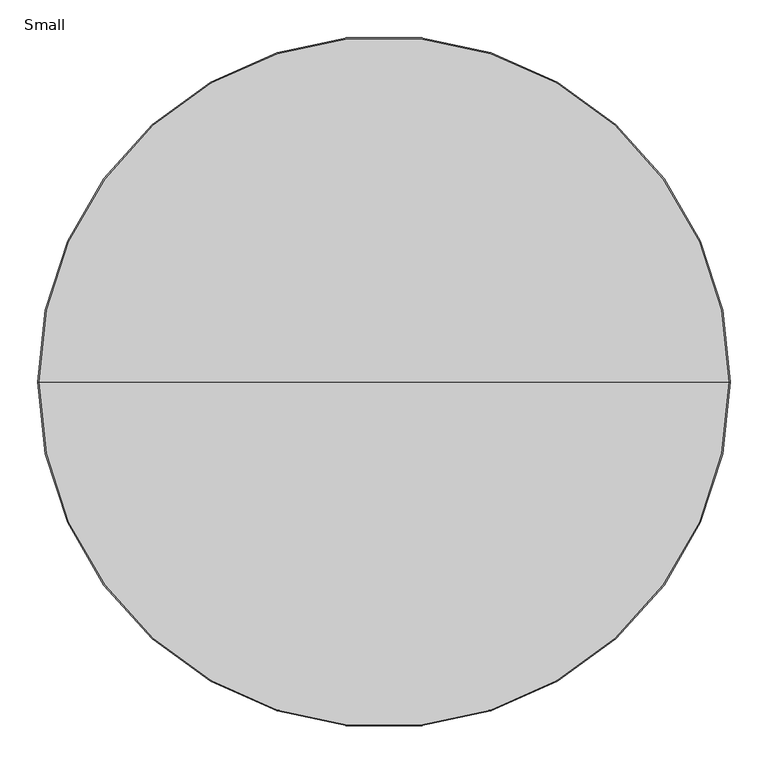
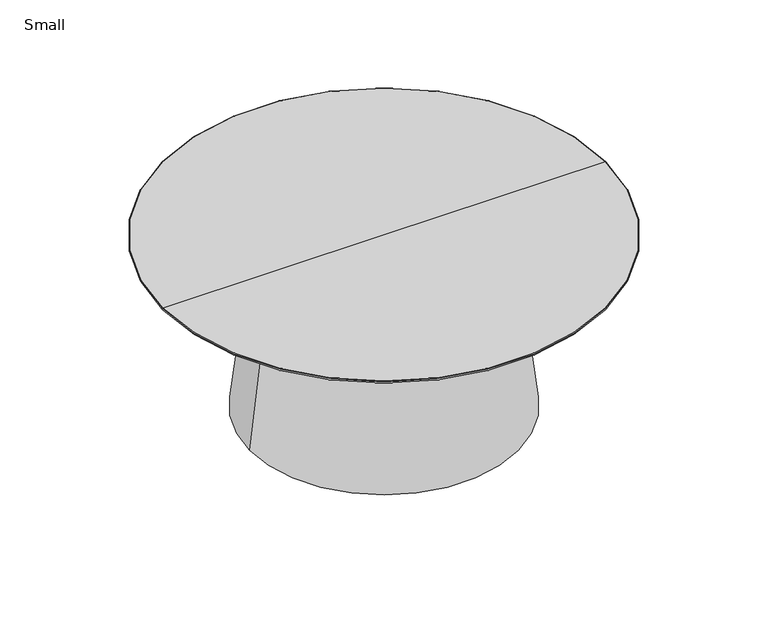
"""IFC4 building model written with IfcOpenShell, lengths in millimetres: furniture geometry, Small."""

import ifcopenshell
import ifcopenshell.guid

model = None  # the IFC model being written
_history = None  # IfcOwnerHistory: only IFC2X3 demands one
_inside = {}  # id of a spatial element -> (the spatial element, [elements in it])
_under = {}  # id of a project, library or spatial element -> (it, [spatial elements below it])
_declared = {}  # id of a project -> (the project, [libraries it declares])
_typed = {}  # id of a type object -> (the type object, [elements of that type])
_made_of = {}  # id of a material, layer set ... -> (it, [elements and type objects made of it])


def new_model(schema):
    """Start an empty IFC model of exactly this schema.

    Asked for "IFC4X3", IfcOpenShell would pick the latest addendum, in which some entities
    have other attributes; the version numbers below select the first issue.
    IFC2X3 requires an IfcOwnerHistory on every rooted entity: one is made here for all.
    """
    global model, _history
    if schema == "IFC4X3":
        model = ifcopenshell.file(schema_version=(4, 3, 0, 0))
    else:
        model = ifcopenshell.file(schema=schema)
    _inside.clear()
    _under.clear()
    _declared.clear()
    _typed.clear()
    _made_of.clear()
    _history = None
    if model.schema == "IFC2X3":
        org = make("IfcOrganization", Name="unknown")
        user = make(
            "IfcPersonAndOrganization",
            ThePerson=make("IfcPerson", FamilyName="unknown"),
            TheOrganization=org,
        )
        app = make(
            "IfcApplication",
            ApplicationDeveloper=org,
            Version="unknown",
            ApplicationFullName="unknown",
            ApplicationIdentifier="unknown",
        )
        _history = make(
            "IfcOwnerHistory",
            OwningUser=user,
            OwningApplication=app,
            ChangeAction="ADDED",
            CreationDate=0,
        )
    return model


def make(cls, **values):
    """One entity of the class cls with the attributes given. An attribute that is None is left unset."""
    return model.create_entity(
        cls, **{name: value for name, value in values.items() if value is not None}
    )


def rooted(cls, **values):
    """An entity with a GlobalId (a new one), such as an element, a storey or a relation."""
    return make(cls, GlobalId=ifcopenshell.guid.new(), OwnerHistory=_history, **values)


def si_unit(unit_type, name, prefix=None):
    """IfcSIUnit, for example si_unit("LENGTHUNIT", "METRE", prefix="MILLI")."""
    return make("IfcSIUnit", UnitType=unit_type, Prefix=prefix, Name=name)


def assignment(units):
    """IfcUnitAssignment: the units of a project."""
    return None if units is None else make("IfcUnitAssignment", Units=units)


def point(xyz):
    """IfcCartesianPoint."""
    return None if xyz is None else make("IfcCartesianPoint", Coordinates=xyz)


def direction(xyz):
    """IfcDirection."""
    return None if xyz is None else make("IfcDirection", DirectionRatios=xyz)


def frame(location, z_axis=None, x_axis=None):
    """IfcAxis2Placement3D, a coordinate frame: its origin and axes. An axis left out is left unset."""
    return make(
        "IfcAxis2Placement3D",
        Location=point(location),
        Axis=direction(z_axis),
        RefDirection=direction(x_axis),
    )


def origin():
    """The frame at (0, 0, 0) with its axes left unset."""
    return frame((0.0, 0.0, 0.0))


def place(relative_to, where):
    """IfcLocalPlacement: puts the frame where relative to a parent placement (None: the world)."""
    return make(
        "IfcLocalPlacement", PlacementRelTo=relative_to, RelativePlacement=where
    )


def context(
    kind, dimensions, precision=None, world=None, true_north=None, identifier=None
):
    """IfcGeometricRepresentationContext, for example the 3D "Model" context."""
    return make(
        "IfcGeometricRepresentationContext",
        ContextIdentifier=identifier,
        ContextType=kind,
        CoordinateSpaceDimension=dimensions,
        Precision=precision,
        WorldCoordinateSystem=world,
        TrueNorth=true_north,
    )


def project(units=None, contexts=None):
    """IfcProject with its units and contexts."""
    return rooted(
        "IfcProject",
        Name="project",
        RepresentationContexts=contexts,
        UnitsInContext=assignment(units),
    )


def spatial(cls, under=None, at=None, **own):
    """A site, building, storey or space (cls), placed at a placement, below another one or the project."""
    s = rooted(cls, ObjectPlacement=at, **own)
    if under is not None:
        _under.setdefault(under.id(), (under, []))[1].append(s)
    return s


def polyline(points):
    """IfcPolyline through the points."""
    return make("IfcPolyline", Points=[point(p) for p in points])


def circle_curve(where, radius):
    """IfcCircle in the frame where."""
    return make("IfcCircle", Position=where, Radius=radius)


def ellipse_curve(where, semi_axis1, semi_axis2):
    """IfcEllipse in the frame where."""
    return make(
        "IfcEllipse", Position=where, SemiAxis1=semi_axis1, SemiAxis2=semi_axis2
    )


def trimmed(basis, trim1, trim2, sense, master):
    """IfcTrimmedCurve: the piece of a basis curve between two trims."""
    return make(
        "IfcTrimmedCurve",
        BasisCurve=basis,
        Trim1=trim1,
        Trim2=trim2,
        SenseAgreement=sense,
        MasterRepresentation=master,
    )


def shape(context_of_items, identifier, shape_type, items):
    """IfcShapeRepresentation: the items that make up one representation, for example the "Body"."""
    return make(
        "IfcShapeRepresentation",
        ContextOfItems=context_of_items,
        RepresentationIdentifier=identifier,
        RepresentationType=shape_type,
        Items=items,
    )


def source(mapping_origin, context_of_items, identifier, shape_type, items):
    """IfcRepresentationMap: a shape defined once, which mapped items show again and again."""
    return make(
        "IfcRepresentationMap",
        MappingOrigin=mapping_origin,
        MappedRepresentation=shape(context_of_items, identifier, shape_type, items),
    )


def transform(
    local_origin,
    x_axis=None,
    y_axis=None,
    z_axis=None,
    scale=None,
    scale2=None,
    scale3=None,
    uniform=True,
):
    """IfcCartesianTransformationOperator3D, or its non-uniform kind. x_axis, y_axis, z_axis: its Axis1, 2, 3."""
    if uniform:
        return make(
            "IfcCartesianTransformationOperator3D",
            Axis1=direction(x_axis),
            Axis2=direction(y_axis),
            LocalOrigin=point(local_origin),
            Scale=scale,
            Axis3=direction(z_axis),
        )
    return make(
        "IfcCartesianTransformationOperator3DnonUniform",
        Axis1=direction(x_axis),
        Axis2=direction(y_axis),
        LocalOrigin=point(local_origin),
        Scale=scale,
        Axis3=direction(z_axis),
        Scale2=scale2,
        Scale3=scale3,
    )


def mapped(mapping_source, mapping_target):
    """IfcMappedItem: shows the shape of a source again, moved by a transform."""
    return make(
        "IfcMappedItem", MappingSource=mapping_source, MappingTarget=mapping_target
    )


def made_of(thing, what):
    """Note that an element or type object is made of a material, layer set ...; save() writes the relation."""
    if what is not None:
        _made_of.setdefault(what.id(), (what, []))[1].append(thing)
    return thing


def element(
    cls,
    number,
    at=None,
    inside=None,
    cuts=None,
    type_object=None,
    material=None,
    context=None,
    identifier="Body",
    shape_type=None,
    held_by="IfcProductDefinitionShape",
    body=None,
    shapes=None,
    **own,
):
    """One element of the class cls, such as IfcWall. Its Tag is "e" and its number.

    at: its placement. inside: the storey or other place that contains it. cuts: it is an
    opening in that element (IfcRelVoidsElement). A single representation is given by context,
    identifier, shape_type and body (its items); several are given by shapes. held_by: the class
    of the entity that holds the representations. save() writes the other relations.
    """
    e = rooted(cls, Tag="e%d" % number, ObjectPlacement=at, **own)
    if body is not None:
        shapes = [shape(context, identifier, shape_type, body)]
    if shapes is not None:
        e.Representation = make(held_by, Representations=shapes)
    if inside is not None:
        _inside.setdefault(inside.id(), (inside, []))[1].append(e)
    if cuts is not None:
        rooted(
            "IfcRelVoidsElement", RelatingBuildingElement=cuts, RelatedOpeningElement=e
        )
    if type_object is not None:
        _typed.setdefault(type_object.id(), (type_object, []))[1].append(e)
    return made_of(e, material)


def aggregate(whole, parts):
    """IfcRelAggregates: a whole, such as a stair, and the parts it consists of."""
    return rooted("IfcRelAggregates", RelatingObject=whole, RelatedObjects=parts)


def save(model, path):
    """Write the relations noted so far, then the file.

    IfcRelAggregates (storeys below a building ...), IfcRelContainedInSpatialStructure (elements
    in a storey), IfcRelDefinesByType, IfcRelAssociatesMaterial and IfcRelDeclares: one each for
    every whole, place, type object, material and project.
    """
    for whole, parts in _under.values():
        aggregate(whole, parts)
    for where, things in _inside.values():
        rooted(
            "IfcRelContainedInSpatialStructure",
            RelatedElements=things,
            RelatingStructure=where,
        )
    for kind, things in _typed.values():
        rooted("IfcRelDefinesByType", RelatedObjects=things, RelatingType=kind)
    for what, things in _made_of.values():
        rooted("IfcRelAssociatesMaterial", RelatedObjects=things, RelatingMaterial=what)
    for by, libraries in _declared.values():
        rooted("IfcRelDeclares", RelatingContext=by, RelatedDefinitions=libraries)
    model.write(path)


def plane_surface(at):
    """IfcPlane: the flat surface through the origin of the frame at, square to its z axis."""
    return make("IfcPlane", Position=at)


def revolved_surface(curve, axis_point, axis_direction):
    """IfcSurfaceOfRevolution: the curve turned about the line through axis_point along axis_direction."""
    return make(
        "IfcSurfaceOfRevolution",
        SweptCurve=make("IfcArbitraryOpenProfileDef", ProfileType="CURVE", Curve=curve),
        AxisPosition=make("IfcAxis1Placement", Location=point(axis_point), Axis=direction(axis_direction)),
    )


def advanced_brep(points, edges, surfaces, faces):
    """IfcAdvancedBrep: a solid bounded by faces that lie on surfaces and meet in shared edges.

    An edge is (start, end): straight between two places in points (the first is 0);
    or (start, end, curve); or (start, end, curve, False) where it runs against its curve.
    A face is (place in surfaces, loops), or (place, loops, False) where it looks against
    its surface's normal. A loop lists edges by number (the first is 1), with a minus sign
    where the edge is run from its end to its start. The first loop is the outer one.
    """
    corners = [point(p) for p in points]
    vertices = [make("IfcVertexPoint", VertexGeometry=c) for c in corners]
    made = []
    for start, end, *more in edges:
        made.append(
            make(
                "IfcEdgeCurve",
                EdgeStart=vertices[start],
                EdgeEnd=vertices[end],
                EdgeGeometry=more[0] if more else make("IfcPolyline", Points=[corners[start], corners[end]]),
                SameSense=more[1] if len(more) > 1 else True,
            )
        )
    hull = []
    for where, loops, *sense in faces:
        bounds = []
        for j, loop in enumerate(loops):
            ring = [make("IfcOrientedEdge", EdgeElement=made[abs(k) - 1], Orientation=k > 0) for k in loop]
            bounds.append(
                make(
                    "IfcFaceOuterBound" if j == 0 else "IfcFaceBound",
                    Bound=make("IfcEdgeLoop", EdgeList=ring),
                    Orientation=True,
                )
            )
        hull.append(make("IfcAdvancedFace", Bounds=bounds, FaceSurface=surfaces[where], SameSense=sense[0] if sense else True))
    return make("IfcAdvancedBrep", Outer=make("IfcClosedShell", CfsFaces=hull))


def small_1dfd1964(model_context):
    return source(origin(), model_context, "Body", "AdvancedBrep", [
        advanced_brep(
        [(-452.1984978, 0.0, 374.904), (452.1984978, 0.0, 374.904), (0.0, 0.0, 374.904), (-457.1976105, 0.0, 380.0010331), (457.1976105, 0.0, 380.0010331), (-456.1986436, 0.0, 381.0), (456.1986436, 0.0, 381.0), (0.0, 0.0, 381.0)],
        [
            (0, 1, circle_curve(frame((0.0, 0.0, 374.904), z_axis=(0.0, 0.0, -1.0), x_axis=(1.0, 0.0, 0.0)), 452.1984978)),
            (1, 2),
            (2, 0),
            (1, 0, circle_curve(frame((0.0, 0.0, 374.904), z_axis=(0.0, 0.0, -1.0), x_axis=(1.0, 0.0, 0.0)), 452.1984978)),
            (3, 4, circle_curve(frame((0.0, 0.0, 380.0010331), z_axis=(0.0, 0.0, -1.0), x_axis=(1.0, 0.0, 0.0)), 457.1976105)),
            (4, 1, circle_curve(frame((452.1984978, 0.0, 379.9040533), z_axis=(0.0, 1.0, 0.0), x_axis=(1.0, 0.0, 0.0)), 5.0000533)),
            (0, 3, circle_curve(frame((-452.1984978, 0.0, 379.9040533), z_axis=(0.0, 1.0, 0.0), x_axis=(-1.0, 0.0, 0.0)), 5.0000533)),
            (4, 3, circle_curve(frame((0.0, 0.0, 380.0010331), z_axis=(0.0, 0.0, -1.0), x_axis=(1.0, 0.0, 0.0)), 457.1976105)),
            (5, 6, circle_curve(frame((0.0, 0.0, 381.0), z_axis=(0.0, 0.0, -1.0), x_axis=(1.0, 0.0, 0.0)), 456.1986436)),
            (6, 4, circle_curve(frame((456.1986436, 0.0, 380.0010331), z_axis=(0.0, 1.0, 0.0), x_axis=(1.0, 0.0, 0.0)), 0.9989669)),
            (3, 5, circle_curve(frame((-456.1986436, 0.0, 380.0010331), z_axis=(0.0, 1.0, 0.0), x_axis=(-1.0, 0.0, 0.0)), 0.9989669)),
            (6, 5, circle_curve(frame((0.0, 0.0, 381.0), z_axis=(0.0, 0.0, -1.0), x_axis=(1.0, 0.0, 0.0)), 456.1986436)),
            (7, 6),
            (5, 7),
        ],
        [
            plane_surface(frame((0.0, 0.0, 374.904), z_axis=(0.0, 0.0, -1.0), x_axis=(1.0, 0.0, 0.0))),
            revolved_surface(trimmed(ellipse_curve(frame((452.1984978, 0.0, 379.9040533), z_axis=(0.0, -1.0, 0.0), x_axis=(1.0, 0.0, 0.0)), 5.0000533, 5.0000533), [point((452.1984978, 0.0, 374.904))], [point((457.1976105, 0.0, 380.0010331))], True, "CARTESIAN"), (0.0, 0.0, 635.0960392), (0.0, 0.0, 1.0)),
            revolved_surface(trimmed(ellipse_curve(frame((456.1986436, 0.0, 380.0010331), z_axis=(0.0, -1.0, 0.0), x_axis=(1.0, 0.0, 0.0)), 0.9989669, 0.9989669), [point((457.1976105, 0.0, 380.0010331))], [point((456.1986436, 0.0, 381.0))], True, "CARTESIAN"), (0.0, 0.0, 635.0960392), (0.0, 0.0, 1.0)),
            plane_surface(frame((0.0, 0.0, 381.0), z_axis=(0.0, 0.0, 1.0), x_axis=(1.0, 0.0, 0.0))),
        ],
        [
            (0, [[1, 2, 3]]),
            (0, [[4, -3, -2]]),
            (1, [[5, 6, -1, 7]]),
            (1, [[8, -7, -4, -6]]),
            (2, [[9, 10, -5, 11]]),
            (2, [[12, -11, -8, -10]]),
            (3, [[13, -9, 14]]),
            (3, [[-14, -12, -13]]),
        ],
    ),
        advanced_brep(
        [(214.9732252, 0.0, 6.9999236), (195.9145441, 0.0, 6.9999236), (213.48533, 0.0, 0.0), (197.4024393, 0.0, 0.0)],
        [
            (0, 1, circle_curve(frame((205.4438846, 0.0, 6.9999236), z_axis=(0.0, 0.0, 1.0), x_axis=(1.0, 0.0, 0.0)), 9.5293406)),
            (1, 0, circle_curve(frame((205.4438846, 0.0, 6.9999236), z_axis=(0.0, 0.0, 1.0), x_axis=(-1.0, 0.0, 0.0)), 9.5293406)),
            (2, 3, circle_curve(frame((205.4438846, 0.0, 0.0), z_axis=(0.0, 0.0, -1.0), x_axis=(-1.0, 0.0, 0.0)), 8.0414454)),
            (3, 2, circle_curve(frame((205.4438846, 0.0, 0.0), z_axis=(0.0, 0.0, -1.0), x_axis=(1.0, 0.0, 0.0)), 8.0414454)),
            (2, 0),
            (1, 3),
        ],
        [
            plane_surface(frame((205.4438846, 0.0, 6.9999236), z_axis=(0.0, 0.0, 1.0), x_axis=(0.0, 1.0, 0.0))),
            plane_surface(frame((205.4438846, 0.0, 0.0), z_axis=(0.0, 0.0, -1.0), x_axis=(0.0, 1.0, 0.0))),
            revolved_surface(polyline([(213.4853300050722, 0.0, 0.0), (214.9732252, 0.0, 6.9999236000000025)]), (205.4438846, 0.0, -37.831632), (0.0, 0.0, 1.0)),
            revolved_surface(polyline([(197.40243927931397, 0.0, 0.0), (195.9145441, 0.0, 6.9999236000000025)]), (205.4438846, 0.0, -37.831632), (0.0, 0.0, 1.0)),
        ],
        [
            (0, [[1, 2]]),
            (1, [[3, 4]]),
            (2, [[-3, 5, -2, 6]]),
            (3, [[-4, -6, -1, -5]]),
        ],
    ),
        advanced_brep(
        [(-233.172, 0.0, 374.904), (233.172, 0.0, 374.904), (-276.606, 0.0, 6.9998782), (276.606, 0.0, 6.9998782)],
        [
            (0, 1, circle_curve(frame((0.0, 0.0, 374.904), z_axis=(0.0, 0.0, 1.0), x_axis=(-1.0, 0.0, 0.0)), 233.172)),
            (1, 0, circle_curve(frame((0.0, 0.0, 374.904), z_axis=(0.0, 0.0, 1.0), x_axis=(1.0, 0.0, 0.0)), 233.172)),
            (2, 3, circle_curve(frame((0.0, 0.0, 6.9998782), z_axis=(0.0, 0.0, -1.0), x_axis=(1.0, 0.0, 0.0)), 276.606)),
            (3, 2, circle_curve(frame((0.0, 0.0, 6.9998782), z_axis=(0.0, 0.0, -1.0), x_axis=(-1.0, 0.0, 0.0)), 276.606)),
            (3, 1),
            (0, 2),
        ],
        [
            plane_surface(frame((0.0, 0.0, 374.904), z_axis=(0.0, 0.0, 1.0), x_axis=(0.0, -1.0, 0.0))),
            plane_surface(frame((0.0, 0.0, 6.9998782), z_axis=(0.0, 0.0, -1.0), x_axis=(0.0, -1.0, 0.0))),
            revolved_surface(polyline([(-233.1719999996097, 0.0, 374.904), (-276.606, 0.0, 6.999878199999785)]), (0.0, 0.0, 2349.9682328), (0.0, 0.0, -1.0)),
            revolved_surface(polyline([(233.1719999996097, 0.0, 374.904), (276.606, 0.0, 6.999878199999785)]), (0.0, 0.0, 2349.9682328), (0.0, 0.0, -1.0)),
        ],
        [
            (0, [[1, 2]]),
            (1, [[3, 4]]),
            (2, [[-4, 5, -1, 6]]),
            (3, [[-3, -6, -2, -5]]),
        ],
    ),
        advanced_brep(
        [(0.0, 215.0153406, 6.9999236), (0.0, 195.9566594, 6.9999236), (0.0, 213.5274454, 0.0), (0.0, 197.4445546, 0.0)],
        [
            (0, 1, circle_curve(frame((0.0, 205.486, 6.9999236), z_axis=(2.408468030946036e-12, 0.0, 1.0), x_axis=(0.0, 1.0, 0.0)), 9.5293406)),
            (1, 0, circle_curve(frame((0.0, 205.486, 6.9999236), z_axis=(2.408468030946036e-12, 0.0, 1.0), x_axis=(0.0, -1.0, 0.0)), 9.5293406)),
            (2, 3, circle_curve(frame((0.0, 205.486, 0.0), z_axis=(-2.408468030946036e-12, 0.0, -1.0), x_axis=(0.0, -1.0, 0.0)), 8.0414454)),
            (3, 2, circle_curve(frame((0.0, 205.486, 0.0), z_axis=(-2.408468030946036e-12, 0.0, -1.0), x_axis=(0.0, 1.0, 0.0)), 8.0414454)),
            (2, 0),
            (1, 3),
        ],
        [
            plane_surface(frame((0.0, 205.486, 6.9999236), z_axis=(0.0, 0.0, 1.0), x_axis=(-1.0, 0.0, 0.0))),
            plane_surface(frame((0.0, 205.486, 0.0), z_axis=(0.0, 0.0, -1.0), x_axis=(-1.0, 0.0, 0.0))),
            revolved_surface(polyline([(0.0, 213.5274454050722, 0.0), (0.0, 215.0153406, 6.9999236000000025)]), (0.0, 205.486, -37.831632), (2.408468030946036e-12, 0.0, 1.0)),
            revolved_surface(polyline([(0.0, 197.4445545949278, 0.0), (0.0, 195.9566594, 6.9999236000000025)]), (0.0, 205.486, -37.831632), (2.408468030946036e-12, 0.0, 1.0)),
        ],
        [
            (0, [[1, 2]]),
            (1, [[3, 4]]),
            (2, [[-3, 5, -2, 6]]),
            (3, [[-4, -6, -1, -5]]),
        ],
    ),
        advanced_brep(
        [(0.0, -215.0153406, 6.9999236), (0.0, -195.9566594, 6.9999236), (0.0, -213.5274454, 0.0), (0.0, -197.4445546, 0.0)],
        [
            (0, 1, circle_curve(frame((0.0, -205.486, 6.9999236), z_axis=(-2.4084680303149588e-12, 0.0, 1.0), x_axis=(0.0, -1.0, 0.0)), 9.5293406)),
            (1, 0, circle_curve(frame((0.0, -205.486, 6.9999236), z_axis=(-2.4084680303149588e-12, 0.0, 1.0), x_axis=(0.0, 1.0, 0.0)), 9.5293406)),
            (2, 3, circle_curve(frame((0.0, -205.486, 0.0), z_axis=(2.4084680303149588e-12, 0.0, -1.0), x_axis=(0.0, 1.0, 0.0)), 8.0414454)),
            (3, 2, circle_curve(frame((0.0, -205.486, 0.0), z_axis=(2.4084680303149588e-12, 0.0, -1.0), x_axis=(0.0, -1.0, 0.0)), 8.0414454)),
            (3, 1),
            (0, 2),
        ],
        [
            plane_surface(frame((0.0, -205.486, 6.9999236), z_axis=(0.0, 0.0, 1.0), x_axis=(1.0, 0.0, 0.0))),
            plane_surface(frame((0.0, -205.486, 0.0), z_axis=(0.0, 0.0, -1.0), x_axis=(1.0, 0.0, 0.0))),
            revolved_surface(polyline([(0.0, -197.4445545949278, 0.0), (0.0, -195.9566594, 6.9999236000000025)]), (0.0, -205.486, -37.831632), (-2.4084680303149588e-12, 0.0, 1.0)),
            revolved_surface(polyline([(0.0, -213.5274454050722, 0.0), (0.0, -215.0153406, 6.9999236000000025)]), (0.0, -205.486, -37.831632), (-2.4084680303149588e-12, 0.0, 1.0)),
        ],
        [
            (0, [[1, 2]]),
            (1, [[3, 4]]),
            (2, [[-4, 5, -1, 6]]),
            (3, [[-3, -6, -2, -5]]),
        ],
    ),
        advanced_brep(
        [(-214.9732252, 0.0, 6.9999236), (-195.9145441, 0.0, 6.9999236), (-213.48533, 0.0, 0.0), (-197.4024393, 0.0, 0.0)],
        [
            (0, 1, circle_curve(frame((-205.4438846, 0.0, 6.9999236), z_axis=(0.0, 0.0, 1.0), x_axis=(-1.0, 0.0, 0.0)), 9.5293406)),
            (1, 0, circle_curve(frame((-205.4438846, 0.0, 6.9999236), z_axis=(0.0, 0.0, 1.0), x_axis=(1.0, 0.0, 0.0)), 9.5293406)),
            (2, 3, circle_curve(frame((-205.4438846, 0.0, 0.0), z_axis=(0.0, 0.0, -1.0), x_axis=(1.0, 0.0, 0.0)), 8.0414454)),
            (3, 2, circle_curve(frame((-205.4438846, 0.0, 0.0), z_axis=(0.0, 0.0, -1.0), x_axis=(-1.0, 0.0, 0.0)), 8.0414454)),
            (3, 1),
            (0, 2),
        ],
        [
            plane_surface(frame((-205.4438846, 0.0, 6.9999236), z_axis=(0.0, 0.0, 1.0), x_axis=(0.0, -1.0, 0.0))),
            plane_surface(frame((-205.4438846, 0.0, 0.0), z_axis=(0.0, 0.0, -1.0), x_axis=(0.0, -1.0, 0.0))),
            revolved_surface(polyline([(-197.40243927931397, 0.0, 0.0), (-195.9145441, 0.0, 6.9999236000000025)]), (-205.4438846, 0.0, -37.831632), (0.0, 0.0, 1.0)),
            revolved_surface(polyline([(-213.4853300050722, 0.0, 0.0), (-214.9732252, 0.0, 6.9999236000000025)]), (-205.4438846, 0.0, -37.831632), (0.0, 0.0, 1.0)),
        ],
        [
            (0, [[1, 2]]),
            (1, [[3, 4]]),
            (2, [[-4, 5, -1, 6]]),
            (3, [[-3, -6, -2, -5]]),
        ],
    ),
    ])


if __name__ == "__main__":
    model = new_model("IFC4")
    model_context = context("Model", 3, world=origin())
    ifc_project = project(units=[si_unit("LENGTHUNIT", "METRE", prefix="MILLI")], contexts=[model_context])
    site = spatial("IfcSite", under=ifc_project)
    building = spatial("IfcBuilding", under=site)
    placement = place(None, origin())
    small_shape = small_1dfd1964(model_context)
    element("IfcFurniture", 1, ObjectType="Small", at=placement, inside=building, context=model_context, shape_type="MappedRepresentation", body=[
        mapped(small_shape, transform((0.0, 0.0, 0.0), x_axis=(1.0, 0.0, 0.0), y_axis=(0.0, 1.0, 0.0), z_axis=(0.0, 0.0, 1.0))),
    ])
    save(model, "model.ifc")
